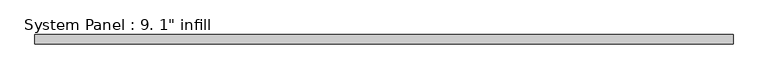
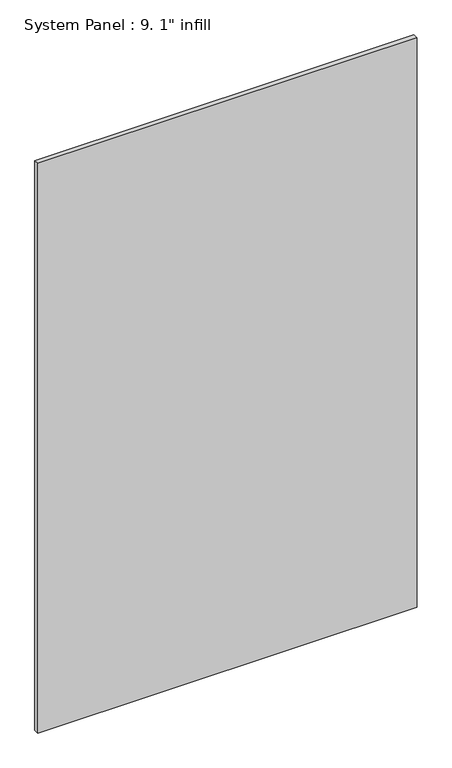
"""IFC4 building model written with IfcOpenShell, lengths in millimetres: plate geometry."""

from ifc_helpers import new_model, si_unit, origin, origin_with_axes, place, context, project, spatial, polyline, outline, extrude, source, transform, mapped, element, save


def plate_cc4bcece(model_context):
    return source(origin(), model_context, "Body", "SweptSolid", [
        extrude(outline(polyline([(960.4375, -12.7), (-960.4375, -12.7), (-960.4375, 12.7), (960.4375, 12.7), (960.4375, -12.7)])), origin_with_axes(), (0.0, 0.0, 1.0), 3048.0),
    ])


if __name__ == "__main__":
    model = new_model("IFC4")
    model_context = context("Model", 3, world=origin())
    ifc_project = project(units=[si_unit("LENGTHUNIT", "METRE", prefix="MILLI")], contexts=[model_context])
    site = spatial("IfcSite", under=ifc_project)
    building = spatial("IfcBuilding", under=site)
    placement = place(None, origin())
    plate_shape = plate_cc4bcece(model_context)
    element("IfcPlate", 1, ObjectType="System Panel : 9. 1\" infill", at=placement, inside=building, context=model_context, shape_type="MappedRepresentation", body=[
        mapped(plate_shape, transform((0.0, 0.0, 0.0), x_axis=(1.0, 0.0, 0.0), y_axis=(0.0, 1.0, 0.0), z_axis=(0.0, 0.0, 1.0))),
    ])
    save(model, "model.ifc")
